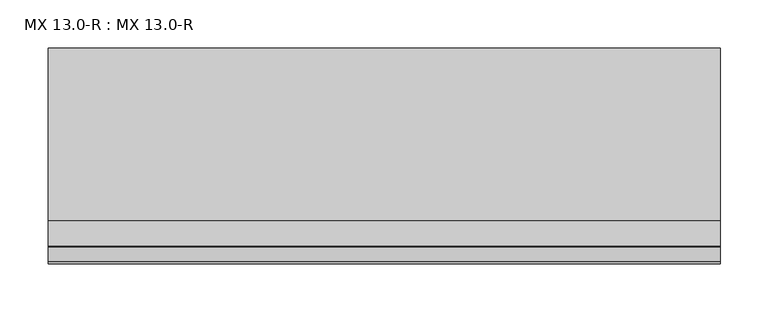
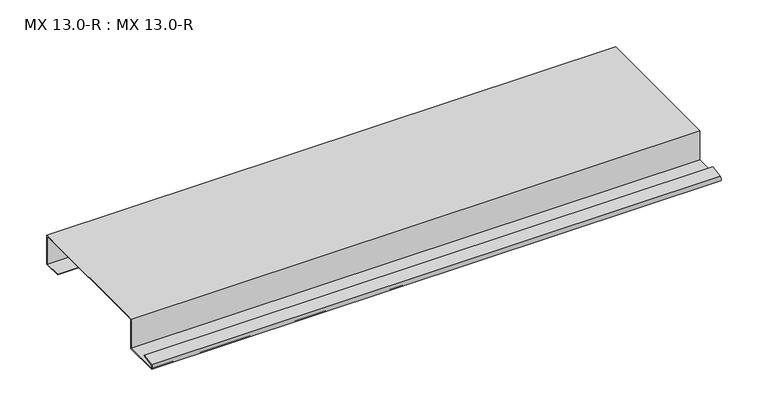
"""IFC4 building model written with IfcOpenShell, lengths in millimetres: proxy geometry, MX 13.0-R : MX 13.0-R."""

import ifcopenshell
import ifcopenshell.guid

model = None  # the IFC model being written
_history = None  # IfcOwnerHistory: only IFC2X3 demands one
_inside = {}  # id of a spatial element -> (the spatial element, [elements in it])
_under = {}  # id of a project, library or spatial element -> (it, [spatial elements below it])
_declared = {}  # id of a project -> (the project, [libraries it declares])
_typed = {}  # id of a type object -> (the type object, [elements of that type])
_made_of = {}  # id of a material, layer set ... -> (it, [elements and type objects made of it])


def new_model(schema):
    """Start an empty IFC model of exactly this schema.

    Asked for "IFC4X3", IfcOpenShell would pick the latest addendum, in which some entities
    have other attributes; the version numbers below select the first issue.
    IFC2X3 requires an IfcOwnerHistory on every rooted entity: one is made here for all.
    """
    global model, _history
    if schema == "IFC4X3":
        model = ifcopenshell.file(schema_version=(4, 3, 0, 0))
    else:
        model = ifcopenshell.file(schema=schema)
    _inside.clear()
    _under.clear()
    _declared.clear()
    _typed.clear()
    _made_of.clear()
    _history = None
    if model.schema == "IFC2X3":
        org = make("IfcOrganization", Name="unknown")
        user = make(
            "IfcPersonAndOrganization",
            ThePerson=make("IfcPerson", FamilyName="unknown"),
            TheOrganization=org,
        )
        app = make(
            "IfcApplication",
            ApplicationDeveloper=org,
            Version="unknown",
            ApplicationFullName="unknown",
            ApplicationIdentifier="unknown",
        )
        _history = make(
            "IfcOwnerHistory",
            OwningUser=user,
            OwningApplication=app,
            ChangeAction="ADDED",
            CreationDate=0,
        )
    return model


def make(cls, **values):
    """One entity of the class cls with the attributes given. An attribute that is None is left unset."""
    return model.create_entity(
        cls, **{name: value for name, value in values.items() if value is not None}
    )


def rooted(cls, **values):
    """An entity with a GlobalId (a new one), such as an element, a storey or a relation."""
    return make(cls, GlobalId=ifcopenshell.guid.new(), OwnerHistory=_history, **values)


def si_unit(unit_type, name, prefix=None):
    """IfcSIUnit, for example si_unit("LENGTHUNIT", "METRE", prefix="MILLI")."""
    return make("IfcSIUnit", UnitType=unit_type, Prefix=prefix, Name=name)


def assignment(units):
    """IfcUnitAssignment: the units of a project."""
    return None if units is None else make("IfcUnitAssignment", Units=units)


def point(xyz):
    """IfcCartesianPoint."""
    return None if xyz is None else make("IfcCartesianPoint", Coordinates=xyz)


def direction(xyz):
    """IfcDirection."""
    return None if xyz is None else make("IfcDirection", DirectionRatios=xyz)


def frame(location, z_axis=None, x_axis=None):
    """IfcAxis2Placement3D, a coordinate frame: its origin and axes. An axis left out is left unset."""
    return make(
        "IfcAxis2Placement3D",
        Location=point(location),
        Axis=direction(z_axis),
        RefDirection=direction(x_axis),
    )


def frame_2d(location, x_axis=None):
    """IfcAxis2Placement2D, a coordinate frame in the plane: its origin and x axis."""
    return make(
        "IfcAxis2Placement2D", Location=point(location), RefDirection=direction(x_axis)
    )


def origin():
    """The frame at (0, 0, 0) with its axes left unset."""
    return frame((0.0, 0.0, 0.0))


def place(relative_to, where):
    """IfcLocalPlacement: puts the frame where relative to a parent placement (None: the world)."""
    return make(
        "IfcLocalPlacement", PlacementRelTo=relative_to, RelativePlacement=where
    )


def context(
    kind, dimensions, precision=None, world=None, true_north=None, identifier=None
):
    """IfcGeometricRepresentationContext, for example the 3D "Model" context."""
    return make(
        "IfcGeometricRepresentationContext",
        ContextIdentifier=identifier,
        ContextType=kind,
        CoordinateSpaceDimension=dimensions,
        Precision=precision,
        WorldCoordinateSystem=world,
        TrueNorth=true_north,
    )


def project(units=None, contexts=None):
    """IfcProject with its units and contexts."""
    return rooted(
        "IfcProject",
        Name="project",
        RepresentationContexts=contexts,
        UnitsInContext=assignment(units),
    )


def spatial(cls, under=None, at=None, **own):
    """A site, building, storey or space (cls), placed at a placement, below another one or the project."""
    s = rooted(cls, ObjectPlacement=at, **own)
    if under is not None:
        _under.setdefault(under.id(), (under, []))[1].append(s)
    return s


def polyline(points):
    """IfcPolyline through the points."""
    return make("IfcPolyline", Points=[point(p) for p in points])


def circle_curve(where, radius):
    """IfcCircle in the frame where."""
    return make("IfcCircle", Position=where, Radius=radius)


def trimmed(basis, trim1, trim2, sense, master):
    """IfcTrimmedCurve: the piece of a basis curve between two trims."""
    return make(
        "IfcTrimmedCurve",
        BasisCurve=basis,
        Trim1=trim1,
        Trim2=trim2,
        SenseAgreement=sense,
        MasterRepresentation=master,
    )


def segment(curve, same_sense, transition):
    """IfcCompositeCurveSegment."""
    return make(
        "IfcCompositeCurveSegment",
        Transition=transition,
        SameSense=same_sense,
        ParentCurve=curve,
    )


def composite_curve(segments, self_intersect=None):
    """IfcCompositeCurve: segments joined end to end."""
    return make("IfcCompositeCurve", Segments=segments, SelfIntersect=self_intersect)


def outline(outer, holes=None, kind="AREA"):
    """IfcArbitraryClosedProfileDef: a profile drawn as a closed curve; with holes, ...WithVoids."""
    if holes is None:
        return make("IfcArbitraryClosedProfileDef", ProfileType=kind, OuterCurve=outer)
    return make(
        "IfcArbitraryProfileDefWithVoids",
        ProfileType=kind,
        OuterCurve=outer,
        InnerCurves=holes,
    )


def extrude(swept, where, along, depth):
    """IfcExtrudedAreaSolid: the profile swept, set in the frame where, extruded along a direction by depth."""
    return make(
        "IfcExtrudedAreaSolid",
        SweptArea=swept,
        Position=where,
        ExtrudedDirection=direction(along),
        Depth=depth,
    )


def shape(context_of_items, identifier, shape_type, items):
    """IfcShapeRepresentation: the items that make up one representation, for example the "Body"."""
    return make(
        "IfcShapeRepresentation",
        ContextOfItems=context_of_items,
        RepresentationIdentifier=identifier,
        RepresentationType=shape_type,
        Items=items,
    )


def source(mapping_origin, context_of_items, identifier, shape_type, items):
    """IfcRepresentationMap: a shape defined once, which mapped items show again and again."""
    return make(
        "IfcRepresentationMap",
        MappingOrigin=mapping_origin,
        MappedRepresentation=shape(context_of_items, identifier, shape_type, items),
    )


def transform(
    local_origin,
    x_axis=None,
    y_axis=None,
    z_axis=None,
    scale=None,
    scale2=None,
    scale3=None,
    uniform=True,
):
    """IfcCartesianTransformationOperator3D, or its non-uniform kind. x_axis, y_axis, z_axis: its Axis1, 2, 3."""
    if uniform:
        return make(
            "IfcCartesianTransformationOperator3D",
            Axis1=direction(x_axis),
            Axis2=direction(y_axis),
            LocalOrigin=point(local_origin),
            Scale=scale,
            Axis3=direction(z_axis),
        )
    return make(
        "IfcCartesianTransformationOperator3DnonUniform",
        Axis1=direction(x_axis),
        Axis2=direction(y_axis),
        LocalOrigin=point(local_origin),
        Scale=scale,
        Axis3=direction(z_axis),
        Scale2=scale2,
        Scale3=scale3,
    )


def mapped(mapping_source, mapping_target):
    """IfcMappedItem: shows the shape of a source again, moved by a transform."""
    return make(
        "IfcMappedItem", MappingSource=mapping_source, MappingTarget=mapping_target
    )


def made_of(thing, what):
    """Note that an element or type object is made of a material, layer set ...; save() writes the relation."""
    if what is not None:
        _made_of.setdefault(what.id(), (what, []))[1].append(thing)
    return thing


def element(
    cls,
    number,
    at=None,
    inside=None,
    cuts=None,
    type_object=None,
    material=None,
    context=None,
    identifier="Body",
    shape_type=None,
    held_by="IfcProductDefinitionShape",
    body=None,
    shapes=None,
    **own,
):
    """One element of the class cls, such as IfcWall. Its Tag is "e" and its number.

    at: its placement. inside: the storey or other place that contains it. cuts: it is an
    opening in that element (IfcRelVoidsElement). A single representation is given by context,
    identifier, shape_type and body (its items); several are given by shapes. held_by: the class
    of the entity that holds the representations. save() writes the other relations.
    """
    e = rooted(cls, Tag="e%d" % number, ObjectPlacement=at, **own)
    if body is not None:
        shapes = [shape(context, identifier, shape_type, body)]
    if shapes is not None:
        e.Representation = make(held_by, Representations=shapes)
    if inside is not None:
        _inside.setdefault(inside.id(), (inside, []))[1].append(e)
    if cuts is not None:
        rooted(
            "IfcRelVoidsElement", RelatingBuildingElement=cuts, RelatedOpeningElement=e
        )
    if type_object is not None:
        _typed.setdefault(type_object.id(), (type_object, []))[1].append(e)
    return made_of(e, material)


def aggregate(whole, parts):
    """IfcRelAggregates: a whole, such as a stair, and the parts it consists of."""
    return rooted("IfcRelAggregates", RelatingObject=whole, RelatedObjects=parts)


def save(model, path):
    """Write the relations noted so far, then the file.

    IfcRelAggregates (storeys below a building ...), IfcRelContainedInSpatialStructure (elements
    in a storey), IfcRelDefinesByType, IfcRelAssociatesMaterial and IfcRelDeclares: one each for
    every whole, place, type object, material and project.
    """
    for whole, parts in _under.values():
        aggregate(whole, parts)
    for where, things in _inside.values():
        rooted(
            "IfcRelContainedInSpatialStructure",
            RelatedElements=things,
            RelatingStructure=where,
        )
    for kind, things in _typed.values():
        rooted("IfcRelDefinesByType", RelatedObjects=things, RelatingType=kind)
    for what, things in _made_of.values():
        rooted("IfcRelAssociatesMaterial", RelatedObjects=things, RelatingMaterial=what)
    for by, libraries in _declared.values():
        rooted("IfcRelDeclares", RelatingContext=by, RelatedDefinitions=libraries)
    model.write(path)


def mx_13_0_r_mx_13_0_r_1bcd9a52(model_context):
    return source(origin(), model_context, "Body", "SweptSolid", [
        extrude(outline(composite_curve([segment(polyline([(-223.163909, 5.2131944), (-207.4140687, 8.2359048), (-207.1307182, 7.2866995), (-222.807341, 4.278041)]), True, "CONTINUOUS"), segment(trimmed(circle_curve(frame_2d((-221.9419644, 2.4200087)), 2.0496733), [point((-222.807341, 4.278041))], [point((-222.6594094, 0.5))], True, "CARTESIAN"), True, "CONTINUOUS"), segment(polyline([(-222.6594094, 0.5), (-180.0, 0.5), (-180.0, 38.5), (0.0, 38.5), (0.0, 0.5), (-22.6594094, 0.5), (-22.6594094, 1.5), (-1.0, 1.5), (-1.0, 37.5), (-179.0, 37.5), (-179.0, -0.5), (-222.7722576, -0.5)]), True, "CONTINUOUS"), segment(trimmed(circle_curve(frame_2d((-221.9700946, 2.4250114)), 3.0330113), [point((-222.7722576, -0.5))], [point((-223.163909, 5.2131944))], False, "CARTESIAN"), True, "CONTINUOUS")], self_intersect=False)), frame((0.0, 0.0, 0.0), z_axis=(1.0, 0.0, 0.0), x_axis=(0.0, 1.0, 0.0)), (0.0, 0.0, 1.0), 700.0),
    ])


if __name__ == "__main__":
    model = new_model("IFC4")
    model_context = context("Model", 3, world=origin())
    ifc_project = project(units=[si_unit("LENGTHUNIT", "METRE", prefix="MILLI")], contexts=[model_context])
    site = spatial("IfcSite", under=ifc_project)
    building = spatial("IfcBuilding", under=site)
    placement = place(None, origin())
    mx_13_0_r_mx_13_0_r_shape = mx_13_0_r_mx_13_0_r_1bcd9a52(model_context)
    element("IfcBuildingElementProxy", 1, Name="MX 13.0-R : MX 13.0-R", ObjectType="MX 13.0-R : MX 13.0-R", at=placement, inside=building, context=model_context, shape_type="MappedRepresentation", body=[
        mapped(mx_13_0_r_mx_13_0_r_shape, transform((0.0, 0.0, 0.0), x_axis=(1.0, 0.0, 0.0), y_axis=(0.0, 1.0, 0.0), z_axis=(0.0, 0.0, 1.0))),
    ])
    save(model, "model.ifc")
